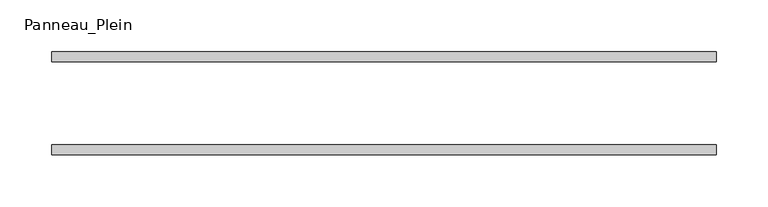
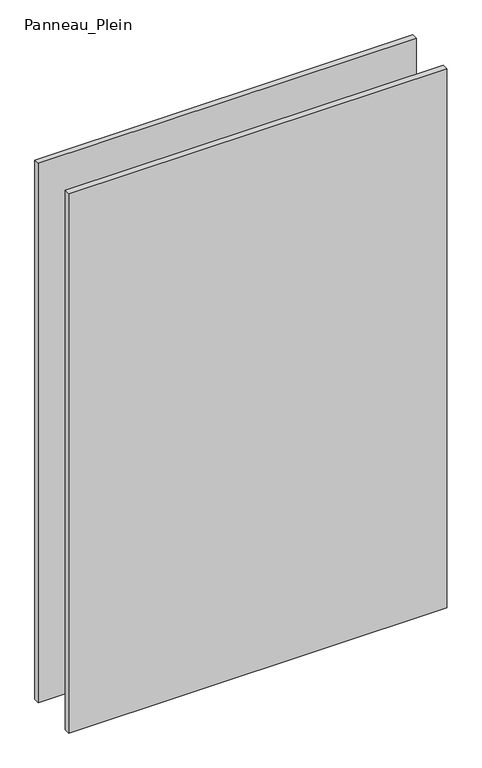
"""IFC4 building model written with IfcOpenShell, lengths in millimetres: plate geometry, Panneau_Plein."""

from ifc_helpers import new_model, si_unit, origin, origin_with_axes, place, context, project, spatial, polyline, outline, extrude, source, transform, mapped, element, save


def panneau_plein_fc1580c4(model_context):
    return source(origin(), model_context, "Body", "SweptSolid", [
        extrude(outline(polyline([(321.8424716, 50.0), (321.8424716, 40.0), (-321.8424716, 40.0), (-321.8424716, 50.0), (321.8424716, 50.0)])), origin_with_axes(), (0.0, 0.0, 1.0), 971.1805856),
        extrude(outline(polyline([(321.8424716, -40.0), (321.8424716, -50.0), (-321.8424716, -50.0), (-321.8424716, -40.0), (321.8424716, -40.0)])), origin_with_axes(), (0.0, 0.0, 1.0), 971.1805856),
    ])


if __name__ == "__main__":
    model = new_model("IFC4")
    model_context = context("Model", 3, world=origin())
    ifc_project = project(units=[si_unit("LENGTHUNIT", "METRE", prefix="MILLI")], contexts=[model_context])
    site = spatial("IfcSite", under=ifc_project)
    building = spatial("IfcBuilding", under=site)
    placement = place(None, origin())
    panneau_plein_shape = panneau_plein_fc1580c4(model_context)
    element("IfcPlate", 1, ObjectType="Panneau_Plein", at=placement, inside=building, context=model_context, shape_type="MappedRepresentation", body=[
        mapped(panneau_plein_shape, transform((0.0, 0.0, 0.0), x_axis=(1.0, 0.0, 0.0), y_axis=(0.0, 1.0, 0.0), z_axis=(0.0, 0.0, 1.0))),
    ])
    save(model, "model.ifc")
